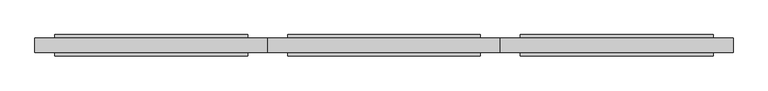
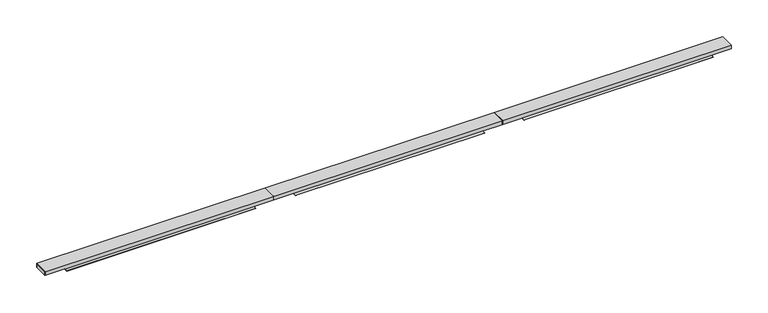
"""IFC4 building model written with IfcOpenShell, lengths in millimetres: furniture geometry."""

from ifc_helpers import new_model, si_unit, frame, origin, place, context, project, spatial, polyline, outline, extrude, faceted_brep, source, transform, mapped, element, save


def furniture_732beeeb(model_context):
    return source(origin(), model_context, "Body", "SolidModel", [
        extrude(outline(polyline([(4198.3441586, -67.8945302), (4198.3441586, 17.7070307), (4200.0, 17.7070307), (4200.0, -67.8945302), (4198.3441586, -67.8945302)])), frame((0.0, 0.0, 695.0456486), z_axis=(0.0, 0.0, 1.0), x_axis=(1.0, 0.0, 0.0)), (0.0, 0.0, 1.0), 23.7542267),
        extrude(outline(polyline([(2801.7844764, 17.7070307), (2801.7844764, -67.8945302), (2800.0, -67.8945302), (2800.0, 17.7070307), (2801.7844764, 17.7070307)])), frame((0.0, 0.0, 695.0456486), z_axis=(0.0, 0.0, 1.0), x_axis=(1.0, 0.0, 0.0)), (0.0, 0.0, 1.0), 23.7542267),
        faceted_brep([(2800.0, 17.7070307, 718.7998753), (2800.0, -67.8945302, 718.7998753), (2800.0, -67.8945302, 695.7998983), (2800.0, -69.0937485, 695.7998983), (2800.0, -69.0937485, 719.9998747), (2800.0, 18.9062489, 719.9998747), (2800.0, 18.9062489, 695.7998983), (2800.0, 17.7070307, 695.7998983), (4200.0, 18.9062489, 719.9998747), (4200.0, 18.9062489, 695.7998983), (4079.4989885, 18.9062489, 695.7998983), (4079.4989885, 18.9062489, 695.0456486), (2920.0, 18.9062489, 695.0456486), (2920.0, 18.9062489, 695.7998983), (4200.0, -69.0937485, 719.9998747), (2920.0, -69.0937485, 695.7998983), (2920.0, -69.0937485, 695.0456486), (4079.4989885, -69.0937485, 695.0456486), (4079.4989885, -69.0937485, 695.7998983), (4200.0, -69.0937485, 695.7998983), (4200.0, -67.8945302, 718.7998753), (4200.0, -67.8945302, 695.7998983), (4079.4989885, -67.8945302, 695.7998983), (4079.4989885, -67.8945302, 693.7999477), (2920.0, -67.8945302, 693.7999477), (2920.0, -67.8945302, 695.7998983), (4200.0, 17.7070307, 718.7998753), (2920.0, 17.7070307, 695.7998983), (2920.0, 17.7070307, 693.7998751), (4079.4989885, 17.7070307, 693.7998751), (4079.4989885, 17.7070307, 695.7998983), (4200.0, 17.7070307, 695.7998983), (4079.4989885, 38.90625, 693.7998751), (4079.4989885, 38.90625, 695.0456486), (4079.4989885, -89.0937495, 695.0456486), (4079.4989885, -89.0937495, 693.7999477), (2920.0, 38.90625, 693.7998751), (2920.0, 38.90625, 695.0456486), (2920.0, -89.0937495, 693.7999477), (2920.0, -89.0937495, 695.0456486)], [[[0, 1, 2, 3, 4, 5, 6, 7]], [[6, 5, 8, 9, 10, 11, 12, 13]], [[8, 5, 4, 14]], [[14, 4, 3, 15, 16, 17, 18, 19]], [[2, 1, 20, 21, 22, 23, 24, 25]], [[20, 1, 0, 26]], [[26, 0, 7, 27, 28, 29, 30, 31]], [[7, 6, 13, 27]], [[3, 2, 25, 15]], [[32, 33, 11, 10, 30, 29]], [[17, 34, 35, 23, 22, 18]], [[36, 28, 27, 13, 12, 37]], [[24, 38, 39, 16, 15, 25]], [[33, 32, 36, 37]], [[11, 33, 37, 12]], [[34, 17, 16, 39]], [[35, 34, 39, 38]], [[23, 35, 38, 24]], [[32, 29, 28, 36]], [[26, 31, 9, 8, 14, 19, 21, 20]], [[9, 31, 30, 10]], [[21, 19, 18, 22]]]),
        extrude(outline(polyline([(2798.3441586, -67.8945302), (2798.3441586, 17.7070307), (2800.0, 17.7070307), (2800.0, -67.8945302), (2798.3441586, -67.8945302)])), frame((0.0, 0.0, 695.0456486), z_axis=(0.0, 0.0, 1.0), x_axis=(1.0, 0.0, 0.0)), (0.0, 0.0, 1.0), 23.7542267),
        extrude(outline(polyline([(1401.7844764, 17.7070307), (1401.7844764, -67.8945302), (1400.0, -67.8945302), (1400.0, 17.7070307), (1401.7844764, 17.7070307)])), frame((0.0, 0.0, 695.0456486), z_axis=(0.0, 0.0, 1.0), x_axis=(1.0, 0.0, 0.0)), (0.0, 0.0, 1.0), 23.7542267),
        faceted_brep([(1400.0, 17.7070307, 718.7998753), (1400.0, -67.8945302, 718.7998753), (1400.0, -67.8945302, 695.7998983), (1400.0, -69.0937485, 695.7998983), (1400.0, -69.0937485, 719.9998747), (1400.0, 18.9062489, 719.9998747), (1400.0, 18.9062489, 695.7998983), (1400.0, 17.7070307, 695.7998983), (2800.0, 18.9062489, 719.9998747), (2800.0, 18.9062489, 695.7998983), (2679.4989885, 18.9062489, 695.7998983), (2679.4989885, 18.9062489, 695.0456486), (1520.0, 18.9062489, 695.0456486), (1520.0, 18.9062489, 695.7998983), (2800.0, -69.0937485, 719.9998747), (1520.0, -69.0937485, 695.7998983), (1520.0, -69.0937485, 695.0456486), (2679.4989885, -69.0937485, 695.0456486), (2679.4989885, -69.0937485, 695.7998983), (2800.0, -69.0937485, 695.7998983), (2800.0, -67.8945302, 718.7998753), (2800.0, -67.8945302, 695.7998983), (2679.4989885, -67.8945302, 695.7998983), (2679.4989885, -67.8945302, 693.7999477), (1520.0, -67.8945302, 693.7999477), (1520.0, -67.8945302, 695.7998983), (2800.0, 17.7070307, 718.7998753), (1520.0, 17.7070307, 695.7998983), (1520.0, 17.7070307, 693.7998751), (2679.4989885, 17.7070307, 693.7998751), (2679.4989885, 17.7070307, 695.7998983), (2800.0, 17.7070307, 695.7998983), (2679.4989885, 38.90625, 693.7998751), (2679.4989885, 38.90625, 695.0456486), (2679.4989885, -89.0937495, 695.0456486), (2679.4989885, -89.0937495, 693.7999477), (1520.0, 38.90625, 693.7998751), (1520.0, 38.90625, 695.0456486), (1520.0, -89.0937495, 693.7999477), (1520.0, -89.0937495, 695.0456486)], [[[0, 1, 2, 3, 4, 5, 6, 7]], [[6, 5, 8, 9, 10, 11, 12, 13]], [[8, 5, 4, 14]], [[14, 4, 3, 15, 16, 17, 18, 19]], [[2, 1, 20, 21, 22, 23, 24, 25]], [[20, 1, 0, 26]], [[26, 0, 7, 27, 28, 29, 30, 31]], [[7, 6, 13, 27]], [[3, 2, 25, 15]], [[32, 33, 11, 10, 30, 29]], [[17, 34, 35, 23, 22, 18]], [[36, 28, 27, 13, 12, 37]], [[24, 38, 39, 16, 15, 25]], [[33, 32, 36, 37]], [[11, 33, 37, 12]], [[34, 17, 16, 39]], [[35, 34, 39, 38]], [[23, 35, 38, 24]], [[32, 29, 28, 36]], [[26, 31, 9, 8, 14, 19, 21, 20]], [[9, 31, 30, 10]], [[21, 19, 18, 22]]]),
        extrude(outline(polyline([(1398.3441586, -67.8945302), (1398.3441586, 17.7070307), (1400.0, 17.7070307), (1400.0, -67.8945302), (1398.3441586, -67.8945302)])), frame((0.0, 0.0, 695.0456486), z_axis=(0.0, 0.0, 1.0), x_axis=(1.0, 0.0, 0.0)), (0.0, 0.0, 1.0), 23.7542267),
        extrude(outline(polyline([(1.7844764, 17.7070307), (1.7844764, -67.8945302), (0.0, -67.8945302), (0.0, 17.7070307), (1.7844764, 17.7070307)])), frame((0.0, 0.0, 695.0456486), z_axis=(0.0, 0.0, 1.0), x_axis=(1.0, 0.0, 0.0)), (0.0, 0.0, 1.0), 23.7542267),
        faceted_brep([(0.0, 17.7070307, 718.7998753), (0.0, -67.8945302, 718.7998753), (0.0, -67.8945302, 695.7998983), (0.0, -69.0937485, 695.7998983), (0.0, -69.0937485, 719.9998747), (0.0, 18.9062489, 719.9998747), (0.0, 18.9062489, 695.7998983), (0.0, 17.7070307, 695.7998983), (1400.0, 18.9062489, 719.9998747), (1400.0, 18.9062489, 695.7998983), (1279.4989885, 18.9062489, 695.7998983), (1279.4989885, 18.9062489, 695.0456486), (120.0, 18.9062489, 695.0456486), (120.0, 18.9062489, 695.7998983), (1400.0, -69.0937485, 719.9998747), (120.0, -69.0937485, 695.7998983), (120.0, -69.0937485, 695.0456486), (1279.4989885, -69.0937485, 695.0456486), (1279.4989885, -69.0937485, 695.7998983), (1400.0, -69.0937485, 695.7998983), (1400.0, -67.8945302, 718.7998753), (1400.0, -67.8945302, 695.7998983), (1279.4989885, -67.8945302, 695.7998983), (1279.4989885, -67.8945302, 693.7999477), (120.0, -67.8945302, 693.7999477), (120.0, -67.8945302, 695.7998983), (1400.0, 17.7070307, 718.7998753), (120.0, 17.7070307, 695.7998983), (120.0, 17.7070307, 693.7998751), (1279.4989885, 17.7070307, 693.7998751), (1279.4989885, 17.7070307, 695.7998983), (1400.0, 17.7070307, 695.7998983), (1279.4989885, 38.90625, 693.7998751), (1279.4989885, 38.90625, 695.0456486), (1279.4989885, -89.0937495, 695.0456486), (1279.4989885, -89.0937495, 693.7999477), (120.0, 38.90625, 693.7998751), (120.0, 38.90625, 695.0456486), (120.0, -89.0937495, 693.7999477), (120.0, -89.0937495, 695.0456486)], [[[0, 1, 2, 3, 4, 5, 6, 7]], [[6, 5, 8, 9, 10, 11, 12, 13]], [[8, 5, 4, 14]], [[14, 4, 3, 15, 16, 17, 18, 19]], [[2, 1, 20, 21, 22, 23, 24, 25]], [[20, 1, 0, 26]], [[26, 0, 7, 27, 28, 29, 30, 31]], [[7, 6, 13, 27]], [[3, 2, 25, 15]], [[32, 33, 11, 10, 30, 29]], [[17, 34, 35, 23, 22, 18]], [[36, 28, 27, 13, 12, 37]], [[24, 38, 39, 16, 15, 25]], [[33, 32, 36, 37]], [[11, 33, 37, 12]], [[34, 17, 16, 39]], [[35, 34, 39, 38]], [[23, 35, 38, 24]], [[32, 29, 28, 36]], [[26, 31, 9, 8, 14, 19, 21, 20]], [[9, 31, 30, 10]], [[21, 19, 18, 22]]]),
    ])


if __name__ == "__main__":
    model = new_model("IFC4")
    model_context = context("Model", 3, world=origin())
    ifc_project = project(units=[si_unit("LENGTHUNIT", "METRE", prefix="MILLI")], contexts=[model_context])
    site = spatial("IfcSite", under=ifc_project)
    building = spatial("IfcBuilding", under=site)
    placement = place(None, origin())
    furniture_shape = furniture_732beeeb(model_context)
    element("IfcFurniture", 1, at=placement, inside=building, context=model_context, shape_type="MappedRepresentation", body=[
        mapped(furniture_shape, transform((0.0, 0.0, 0.0), x_axis=(1.0, 0.0, 0.0), y_axis=(0.0, 1.0, 0.0), z_axis=(0.0, 0.0, 1.0))),
    ])
    save(model, "model.ifc")
